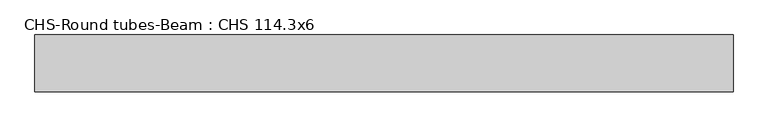
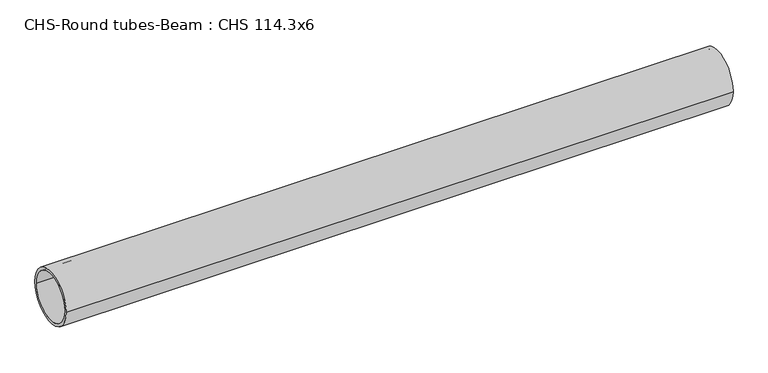
"""IFC4 building model written with IfcOpenShell, lengths in millimetres: beam geometry, CHS-Round tubes-Beam : CHS 114.3x6."""

from ifc_helpers import new_model, si_unit, point, frame, origin, origin_2d, place, context, project, spatial, circle_curve, trimmed, segment, composite_curve, outline, extrude, source, transform, mapped, element, save


def chs_round_tubes_beam_chs_114_3x6_d9c53bf0(model_context):
    return source(origin(), model_context, "Body", "SweptSolid", [
        extrude(outline(composite_curve([segment(trimmed(circle_curve(origin_2d(), 57.15), [point((57.15, 0.0))], [point((-57.15, 0.0))], False, "CARTESIAN"), True, "CONTINUOUS"), segment(trimmed(circle_curve(origin_2d(), 57.15), [point((-57.15, 0.0))], [point((57.15, 0.0))], False, "CARTESIAN"), True, "CONTINUOUS")], self_intersect=False), holes=[composite_curve([segment(trimmed(circle_curve(origin_2d(), 51.15), [point((51.15, 0.0))], [point((-51.15, 0.0))], True, "CARTESIAN"), True, "CONTINUOUS"), segment(trimmed(circle_curve(origin_2d(), 51.15), [point((-51.15, 0.0))], [point((51.15, 0.0))], True, "CARTESIAN"), True, "CONTINUOUS")], self_intersect=False)]), frame((-776.0912418, 0.0, 0.0), z_axis=(1.0, 0.0, 0.0), x_axis=(0.0, 1.0, 0.0)), (0.0, 0.0, 1.0), 1407.2182908),
    ])


if __name__ == "__main__":
    model = new_model("IFC4")
    model_context = context("Model", 3, world=origin())
    ifc_project = project(units=[si_unit("LENGTHUNIT", "METRE", prefix="MILLI")], contexts=[model_context])
    site = spatial("IfcSite", under=ifc_project)
    building = spatial("IfcBuilding", under=site)
    placement = place(None, origin())
    chs_round_tubes_beam_chs_114_3x6_shape = chs_round_tubes_beam_chs_114_3x6_d9c53bf0(model_context)
    element("IfcBeam", 1, ObjectType="CHS-Round tubes-Beam : CHS 114.3x6", at=placement, inside=building, context=model_context, shape_type="MappedRepresentation", body=[
        mapped(chs_round_tubes_beam_chs_114_3x6_shape, transform((0.0, 0.0, 0.0), x_axis=(1.0, 0.0, 0.0), y_axis=(0.0, 1.0, 0.0), z_axis=(0.0, 0.0, 1.0))),
    ])
    save(model, "model.ifc")
